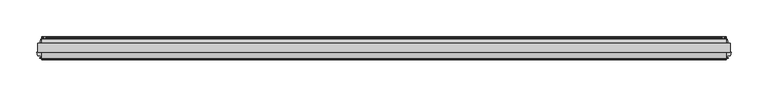
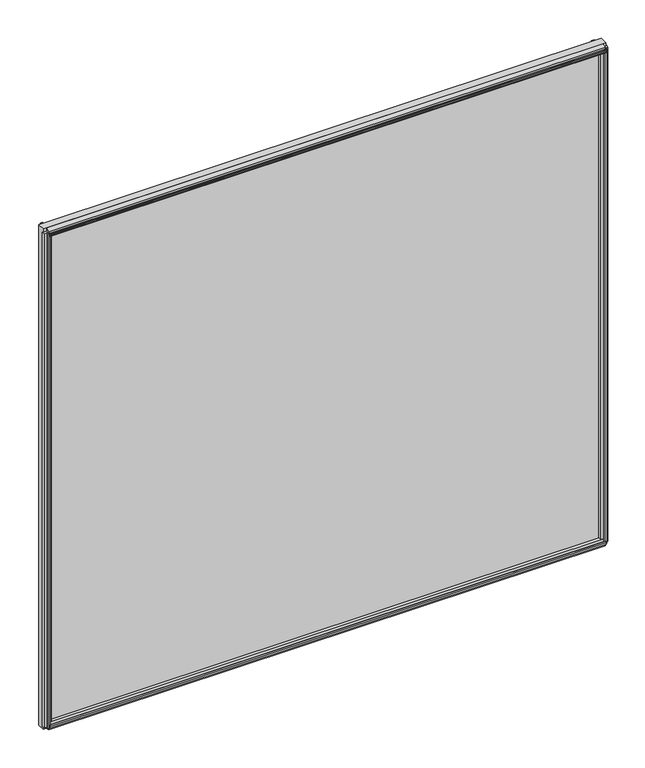
"""IFC4 building model written with IfcOpenShell, lengths in millimetres: plate geometry."""

import ifcopenshell
import ifcopenshell.guid

model = None  # the IFC model being written
_history = None  # IfcOwnerHistory: only IFC2X3 demands one
_inside = {}  # id of a spatial element -> (the spatial element, [elements in it])
_under = {}  # id of a project, library or spatial element -> (it, [spatial elements below it])
_declared = {}  # id of a project -> (the project, [libraries it declares])
_typed = {}  # id of a type object -> (the type object, [elements of that type])
_made_of = {}  # id of a material, layer set ... -> (it, [elements and type objects made of it])


def new_model(schema):
    """Start an empty IFC model of exactly this schema.

    Asked for "IFC4X3", IfcOpenShell would pick the latest addendum, in which some entities
    have other attributes; the version numbers below select the first issue.
    IFC2X3 requires an IfcOwnerHistory on every rooted entity: one is made here for all.
    """
    global model, _history
    if schema == "IFC4X3":
        model = ifcopenshell.file(schema_version=(4, 3, 0, 0))
    else:
        model = ifcopenshell.file(schema=schema)
    _inside.clear()
    _under.clear()
    _declared.clear()
    _typed.clear()
    _made_of.clear()
    _history = None
    if model.schema == "IFC2X3":
        org = make("IfcOrganization", Name="unknown")
        user = make(
            "IfcPersonAndOrganization",
            ThePerson=make("IfcPerson", FamilyName="unknown"),
            TheOrganization=org,
        )
        app = make(
            "IfcApplication",
            ApplicationDeveloper=org,
            Version="unknown",
            ApplicationFullName="unknown",
            ApplicationIdentifier="unknown",
        )
        _history = make(
            "IfcOwnerHistory",
            OwningUser=user,
            OwningApplication=app,
            ChangeAction="ADDED",
            CreationDate=0,
        )
    return model


def make(cls, **values):
    """One entity of the class cls with the attributes given. An attribute that is None is left unset."""
    return model.create_entity(
        cls, **{name: value for name, value in values.items() if value is not None}
    )


def rooted(cls, **values):
    """An entity with a GlobalId (a new one), such as an element, a storey or a relation."""
    return make(cls, GlobalId=ifcopenshell.guid.new(), OwnerHistory=_history, **values)


def si_unit(unit_type, name, prefix=None):
    """IfcSIUnit, for example si_unit("LENGTHUNIT", "METRE", prefix="MILLI")."""
    return make("IfcSIUnit", UnitType=unit_type, Prefix=prefix, Name=name)


def assignment(units):
    """IfcUnitAssignment: the units of a project."""
    return None if units is None else make("IfcUnitAssignment", Units=units)


def point(xyz):
    """IfcCartesianPoint."""
    return None if xyz is None else make("IfcCartesianPoint", Coordinates=xyz)


def direction(xyz):
    """IfcDirection."""
    return None if xyz is None else make("IfcDirection", DirectionRatios=xyz)


def frame(location, z_axis=None, x_axis=None):
    """IfcAxis2Placement3D, a coordinate frame: its origin and axes. An axis left out is left unset."""
    return make(
        "IfcAxis2Placement3D",
        Location=point(location),
        Axis=direction(z_axis),
        RefDirection=direction(x_axis),
    )


def origin():
    """The frame at (0, 0, 0) with its axes left unset."""
    return frame((0.0, 0.0, 0.0))


def place(relative_to, where):
    """IfcLocalPlacement: puts the frame where relative to a parent placement (None: the world)."""
    return make(
        "IfcLocalPlacement", PlacementRelTo=relative_to, RelativePlacement=where
    )


def context(
    kind, dimensions, precision=None, world=None, true_north=None, identifier=None
):
    """IfcGeometricRepresentationContext, for example the 3D "Model" context."""
    return make(
        "IfcGeometricRepresentationContext",
        ContextIdentifier=identifier,
        ContextType=kind,
        CoordinateSpaceDimension=dimensions,
        Precision=precision,
        WorldCoordinateSystem=world,
        TrueNorth=true_north,
    )


def project(units=None, contexts=None):
    """IfcProject with its units and contexts."""
    return rooted(
        "IfcProject",
        Name="project",
        RepresentationContexts=contexts,
        UnitsInContext=assignment(units),
    )


def spatial(cls, under=None, at=None, **own):
    """A site, building, storey or space (cls), placed at a placement, below another one or the project."""
    s = rooted(cls, ObjectPlacement=at, **own)
    if under is not None:
        _under.setdefault(under.id(), (under, []))[1].append(s)
    return s


def polyline(points):
    """IfcPolyline through the points."""
    return make("IfcPolyline", Points=[point(p) for p in points])


def outline(outer, holes=None, kind="AREA"):
    """IfcArbitraryClosedProfileDef: a profile drawn as a closed curve; with holes, ...WithVoids."""
    if holes is None:
        return make("IfcArbitraryClosedProfileDef", ProfileType=kind, OuterCurve=outer)
    return make(
        "IfcArbitraryProfileDefWithVoids",
        ProfileType=kind,
        OuterCurve=outer,
        InnerCurves=holes,
    )


def extrude(swept, where, along, depth):
    """IfcExtrudedAreaSolid: the profile swept, set in the frame where, extruded along a direction by depth."""
    return make(
        "IfcExtrudedAreaSolid",
        SweptArea=swept,
        Position=where,
        ExtrudedDirection=direction(along),
        Depth=depth,
    )


def shape(context_of_items, identifier, shape_type, items):
    """IfcShapeRepresentation: the items that make up one representation, for example the "Body"."""
    return make(
        "IfcShapeRepresentation",
        ContextOfItems=context_of_items,
        RepresentationIdentifier=identifier,
        RepresentationType=shape_type,
        Items=items,
    )


def source(mapping_origin, context_of_items, identifier, shape_type, items):
    """IfcRepresentationMap: a shape defined once, which mapped items show again and again."""
    return make(
        "IfcRepresentationMap",
        MappingOrigin=mapping_origin,
        MappedRepresentation=shape(context_of_items, identifier, shape_type, items),
    )


def transform(
    local_origin,
    x_axis=None,
    y_axis=None,
    z_axis=None,
    scale=None,
    scale2=None,
    scale3=None,
    uniform=True,
):
    """IfcCartesianTransformationOperator3D, or its non-uniform kind. x_axis, y_axis, z_axis: its Axis1, 2, 3."""
    if uniform:
        return make(
            "IfcCartesianTransformationOperator3D",
            Axis1=direction(x_axis),
            Axis2=direction(y_axis),
            LocalOrigin=point(local_origin),
            Scale=scale,
            Axis3=direction(z_axis),
        )
    return make(
        "IfcCartesianTransformationOperator3DnonUniform",
        Axis1=direction(x_axis),
        Axis2=direction(y_axis),
        LocalOrigin=point(local_origin),
        Scale=scale,
        Axis3=direction(z_axis),
        Scale2=scale2,
        Scale3=scale3,
    )


def mapped(mapping_source, mapping_target):
    """IfcMappedItem: shows the shape of a source again, moved by a transform."""
    return make(
        "IfcMappedItem", MappingSource=mapping_source, MappingTarget=mapping_target
    )


def made_of(thing, what):
    """Note that an element or type object is made of a material, layer set ...; save() writes the relation."""
    if what is not None:
        _made_of.setdefault(what.id(), (what, []))[1].append(thing)
    return thing


def element(
    cls,
    number,
    at=None,
    inside=None,
    cuts=None,
    type_object=None,
    material=None,
    context=None,
    identifier="Body",
    shape_type=None,
    held_by="IfcProductDefinitionShape",
    body=None,
    shapes=None,
    **own,
):
    """One element of the class cls, such as IfcWall. Its Tag is "e" and its number.

    at: its placement. inside: the storey or other place that contains it. cuts: it is an
    opening in that element (IfcRelVoidsElement). A single representation is given by context,
    identifier, shape_type and body (its items); several are given by shapes. held_by: the class
    of the entity that holds the representations. save() writes the other relations.
    """
    e = rooted(cls, Tag="e%d" % number, ObjectPlacement=at, **own)
    if body is not None:
        shapes = [shape(context, identifier, shape_type, body)]
    if shapes is not None:
        e.Representation = make(held_by, Representations=shapes)
    if inside is not None:
        _inside.setdefault(inside.id(), (inside, []))[1].append(e)
    if cuts is not None:
        rooted(
            "IfcRelVoidsElement", RelatingBuildingElement=cuts, RelatedOpeningElement=e
        )
    if type_object is not None:
        _typed.setdefault(type_object.id(), (type_object, []))[1].append(e)
    return made_of(e, material)


def aggregate(whole, parts):
    """IfcRelAggregates: a whole, such as a stair, and the parts it consists of."""
    return rooted("IfcRelAggregates", RelatingObject=whole, RelatedObjects=parts)


def save(model, path):
    """Write the relations noted so far, then the file.

    IfcRelAggregates (storeys below a building ...), IfcRelContainedInSpatialStructure (elements
    in a storey), IfcRelDefinesByType, IfcRelAssociatesMaterial and IfcRelDeclares: one each for
    every whole, place, type object, material and project.
    """
    for whole, parts in _under.values():
        aggregate(whole, parts)
    for where, things in _inside.values():
        rooted(
            "IfcRelContainedInSpatialStructure",
            RelatedElements=things,
            RelatingStructure=where,
        )
    for kind, things in _typed.values():
        rooted("IfcRelDefinesByType", RelatedObjects=things, RelatingType=kind)
    for what, things in _made_of.values():
        rooted("IfcRelAssociatesMaterial", RelatedObjects=things, RelatingMaterial=what)
    for by, libraries in _declared.values():
        rooted("IfcRelDeclares", RelatingContext=by, RelatedDefinitions=libraries)
    model.write(path)


def plate_84b81e9f(model_context):
    return source(origin(), model_context, "Body", "SweptSolid", [
        extrude(outline(polyline([(472.3181594, -0.0460375), (472.3181594, -12.8984375), (-472.3181594, -12.8984375), (-472.3181594, -0.0460375), (472.3181594, -0.0460375)])), frame((0.0, 0.0, -25.4), z_axis=(0.0, 0.0, 1.0), x_axis=(1.0, 0.0, 0.0)), (0.0, 0.0, 1.0), 888.0258326),
        extrude(outline(polyline([(-12.8984375, -25.4341173), (-20.5530511, -23.3621005), (-19.4420445, -19.2157673), (-21.9423316, -18.0461931), (-22.0980007, -19.6085386), (-22.8831052, -19.3981705), (-22.6708491, -17.0358109), (-21.6734885, -14.8838195), (-20.888384, -15.0941876), (-21.5347434, -16.5250531), (-18.7846441, -16.7623157), (-17.6736375, -12.6159825), (-12.8984375, -11.6170674), (-12.8984375, -25.4341173)])), frame((-466.7619094, 0.0, 0.0), z_axis=(1.0, 0.0, 0.0), x_axis=(0.0, 1.0, 0.0)), (0.0, 0.0, 1.0), 933.5238188),
        extrude(outline(polyline([(4.8053625, -20.1814047), (-0.0460375, -21.4148115), (-0.0460375, -7.822798), (4.8053625, -9.0562047), (4.8053625, -13.3488047), (7.5231625, -13.8314047), (7.2691625, -12.2820047), (8.0819625, -12.2820047), (8.4883625, -14.6188047), (8.0819625, -16.9556047), (7.2691625, -16.9556047), (7.5231625, -15.4062047), (4.8053625, -15.8888047), (4.8053625, -20.1814047)])), frame((-466.7619094, 0.0, 0.0), z_axis=(1.0, 0.0, 0.0), x_axis=(0.0, 1.0, 0.0)), (0.0, 0.0, 1.0), 933.5238188),
        extrude(outline(polyline([(-12.8984375, 862.6599499), (-12.8984375, 848.8429), (-17.6736375, 849.8418151), (-18.7846441, 853.9881483), (-21.5347434, 853.7508857), (-20.888384, 852.3200203), (-21.6734885, 852.1096521), (-22.6708491, 854.2616435), (-22.8831052, 856.6240031), (-22.0980007, 856.8343712), (-21.9423316, 855.2720257), (-19.4420445, 856.4415999), (-20.5530511, 860.5879331), (-12.8984375, 862.6599499)])), frame((-466.7619094, 0.0, 0.0), z_axis=(1.0, 0.0, 0.0), x_axis=(0.0, 1.0, 0.0)), (0.0, 0.0, 1.0), 933.5238188),
        extrude(outline(polyline([(4.8053625, 857.4072374), (4.8053625, 853.1146374), (7.5231625, 852.6320374), (7.2691625, 854.1814374), (8.0819625, 854.1814374), (8.4883625, 851.8446374), (8.0819625, 849.5078374), (7.2691625, 849.5078374), (7.5231625, 851.0572374), (4.8053625, 850.5746374), (4.8053625, 846.2820374), (-0.0460375, 845.0486306), (-0.0460375, 858.6406441), (4.8053625, 857.4072374)])), frame((-466.7619094, 0.0, 0.0), z_axis=(1.0, 0.0, 0.0), x_axis=(0.0, 1.0, 0.0)), (0.0, 0.0, 1.0), 933.5238188),
        extrude(outline(polyline([(465.9647124, -20.2926598), (465.4723952, -17.5766032), (461.1941202, -17.5766032), (460.004756, -12.8984375), (473.5063628, -12.8984375), (472.3193082, -17.5675189), (468.0123789, -17.5675189), (467.5395023, -20.2870275), (469.0923594, -20.0267543), (469.0923594, -20.8400217), (466.7555594, -21.2550375), (464.4187594, -20.8572426), (464.4187594, -20.0448993), (465.9647124, -20.2926598)])), frame((0.0, 0.0, -19.84375), z_axis=(0.0, 0.0, 1.0), x_axis=(1.0, 0.0, 0.0)), (0.0, 0.0, 1.0), 876.9133326),
        extrude(outline(polyline([(463.3231023, 7.6219525), (463.7986485, 4.8870913), (468.1068114, 4.8870913), (469.3609967, -0.0460375), (455.7173221, -0.0460375), (456.9777082, 4.9114812), (461.2559866, 4.9114812), (461.7483124, 7.6275848), (460.2009208, 7.3791279), (460.2009208, 8.1919227), (462.5391594, 8.5899625), (464.8744909, 8.1752075), (464.8715839, 7.3624127), (463.3231023, 7.6219525)])), frame((0.0, 0.0, -19.84375), z_axis=(0.0, 0.0, 1.0), x_axis=(1.0, 0.0, 0.0)), (0.0, 0.0, 1.0), 876.9133326),
        extrude(outline(polyline([(-467.5395023, -20.2870275), (-468.0150485, -17.5521663), (-472.3232114, -17.5521663), (-473.5037394, -12.9087562), (-460.0073794, -12.9087562), (-461.1941082, -17.5765562), (-465.4723866, -17.5765562), (-465.9647124, -20.2926598), (-464.4173208, -20.0442029), (-464.4173208, -20.8569977), (-466.7555594, -21.2550375), (-469.0908909, -20.8402825), (-469.0879839, -20.0274877), (-467.5395023, -20.2870275)])), frame((0.0, 0.0, -19.84375), z_axis=(0.0, 0.0, 1.0), x_axis=(1.0, 0.0, 0.0)), (0.0, 0.0, 1.0), 876.9133326),
        extrude(outline(polyline([(-461.7552165, 7.6219525), (-461.2796703, 4.8870913), (-456.9715074, 4.8870913), (-455.7173221, -0.0460375), (-469.3609967, -0.0460375), (-468.1006106, 4.9114812), (-463.8223321, 4.9114812), (-463.3300064, 7.6275848), (-464.8773979, 7.3791279), (-464.8773979, 8.1919227), (-462.5391594, 8.5899625), (-460.2038278, 8.1752075), (-460.2067348, 7.3624127), (-461.7552165, 7.6219525)])), frame((0.0, 0.0, -19.84375), z_axis=(0.0, 0.0, 1.0), x_axis=(1.0, 0.0, 0.0)), (0.0, 0.0, 1.0), 876.9133326),
    ])


if __name__ == "__main__":
    model = new_model("IFC4")
    model_context = context("Model", 3, world=origin())
    ifc_project = project(units=[si_unit("LENGTHUNIT", "METRE", prefix="MILLI")], contexts=[model_context])
    site = spatial("IfcSite", under=ifc_project)
    building = spatial("IfcBuilding", under=site)
    placement = place(None, origin())
    plate_shape = plate_84b81e9f(model_context)
    element("IfcPlate", 1, at=placement, inside=building, context=model_context, shape_type="MappedRepresentation", body=[
        mapped(plate_shape, transform((0.0, 0.0, 0.0), x_axis=(1.0, 0.0, 0.0), y_axis=(0.0, 1.0, 0.0), z_axis=(0.0, 0.0, 1.0))),
    ])
    save(model, "model.ifc")
